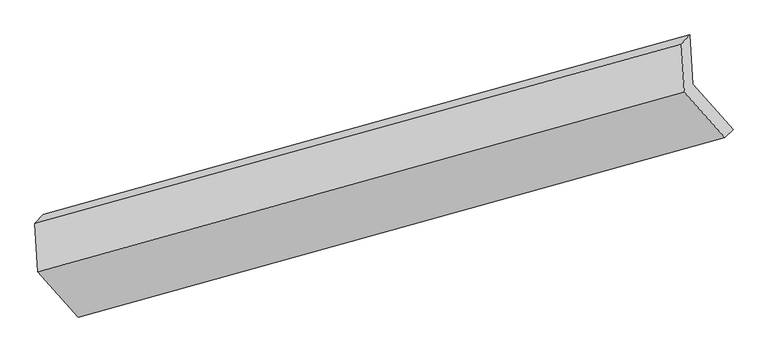
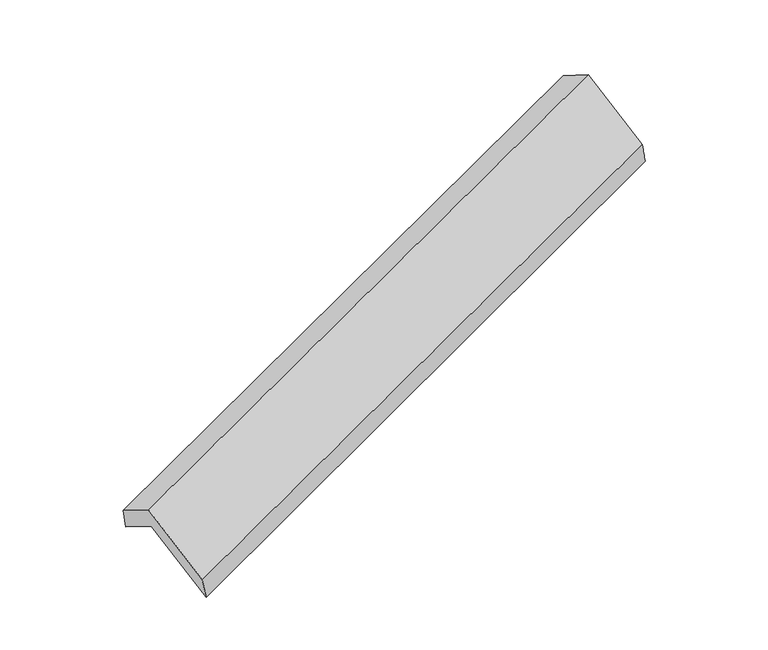
"""IFC4 building model written with IfcOpenShell, lengths in millimetres: proxy geometry."""

from ifc_helpers import new_model, si_unit, frame, origin, place, context, project, spatial, source, transform, mapped, element, save
from ifc_brep_helpers import plane_surface, spline_surface, advanced_brep


def generic_models_101f8613(model_context):
    return source(origin(), model_context, "Body", "AdvancedBrep", [
        advanced_brep(
        [(-5105.4469351, -2094.5119265, 1286.6417712), (-5125.283535, -1759.5526978, 1082.7154359), (-751.1485981, -543.3340836, 2654.9286751), (-731.3119982, -878.2933123, 2858.8550104), (-5180.4265705, -1822.1720023, 1285.5529303), (-806.2916336, -605.9533881, 2857.7661696), (-5161.0951635, -2148.600584, 1484.2857273), (-786.9602266, -932.3819698, 3056.4989666), (-4886.9800114, -2454.9724026, 954.3905547), (-512.8450746, -1238.7537884, 2526.6037939), (-4827.2445695, -2405.4519239, 748.8455588), (-457.1968461, -1184.665131, 2328.9598378)],
        [
            (0, 1),
            (1, 2),
            (2, 3),
            (3, 0),
            (1, 4),
            (4, 5),
            (5, 2),
            (4, 6),
            (6, 7),
            (7, 5),
            (6, 8),
            (8, 9),
            (9, 7),
            (8, 10),
            (10, 11),
            (11, 9),
            (10, 0),
            (3, 11),
        ],
        [
            plane_surface(frame((-5115.365235, -1927.0323121, 1184.6786035), z_axis=(0.4106171075200188, -0.4562920052688675, -0.7894245986410668), x_axis=(-0.05051929267508206, 0.8530647079979681, -0.5193538341400311))),
            plane_surface(frame((-5152.8550527, -1790.86235, 1184.1341831), z_axis=(-0.32753021327627, 0.9242278168411493, 0.19628270929514963), x_axis=(-0.2514175826948001, -0.2855046704711806, 0.9248114847097466))),
            plane_surface(frame((-5170.760867, -1985.3862931, 1384.9193288), z_axis=(-0.4106171075200161, 0.45629200526886793, 0.789424598641068), x_axis=(0.050519292675082345, -0.8530647079979682, 0.5193538341400309))),
            plane_surface(frame((-5024.0375875, -2301.7864933, 1219.338141), z_axis=(0.05051929267507968, -0.853064707997962, 0.5193538341400412), x_axis=(0.4087213488446811, -0.4568178811850083, -0.790103969378856))),
            spline_surface(1, 1, [[(-4886.9800114, -2454.9724026, 954.3905547), (-512.8450746, -1238.7537884, 2526.6037939)], [(-4827.2445695, -2405.4519239, 748.8455588), (-457.1968461, -1184.665131, 2328.9598378)]], [2, 2], [2, 2], [0.0, 1.0], [0.0, 1.0]),
            plane_surface(frame((-4966.3457523, -2249.9819252, 1017.743665), z_axis=(-0.05051929267508473, 0.8530647079979682, -0.5193538341400306), x_axis=(-0.40872134884467276, 0.4568178811849991, 0.7901039693788656))),
            plane_surface(frame((-674.2923962, -897.2302789, 2713.9354089), z_axis=(0.9112599300233724, 0.2521864932901537, 0.32558764186592504), x_axis=(0.262079577062904, 0.2547346586603856, -0.9308192891016528))),
            plane_surface(frame((-5047.7461308, -2114.2102562, 1140.4053297), z_axis=(-0.9112599300233727, -0.25218649329015325, -0.3255876418659247), x_axis=(0.40872134884467254, -0.456817881185004, -0.790103969378863))),
        ],
        [
            (0, [[1, 2, 3, 4]]),
            (1, [[5, 6, 7, -2]]),
            (2, [[8, 9, 10, -6]]),
            (3, [[11, 12, 13, -9]]),
            (4, [[14, 15, 16, -12]]),
            (5, [[17, -4, 18, -15]]),
            (6, [[-16, -18, -3, -7, -10, -13]]),
            (7, [[-17, -14, -11, -8, -5, -1]]),
        ],
    ),
    ])


if __name__ == "__main__":
    model = new_model("IFC4")
    model_context = context("Model", 3, world=origin())
    ifc_project = project(units=[si_unit("LENGTHUNIT", "METRE", prefix="MILLI")], contexts=[model_context])
    site = spatial("IfcSite", under=ifc_project)
    building = spatial("IfcBuilding", under=site)
    placement = place(None, origin())
    generic_models_shape = generic_models_101f8613(model_context)
    element("IfcBuildingElementProxy", 1, Name="Generic Models", at=placement, inside=building, context=model_context, shape_type="MappedRepresentation", body=[
        mapped(generic_models_shape, transform((0.0, 0.0, 0.0), x_axis=(1.0, 0.0, 0.0), y_axis=(0.0, 1.0, 0.0), z_axis=(0.0, 0.0, 1.0))),
    ])
    save(model, "model.ifc")
